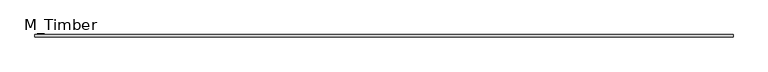
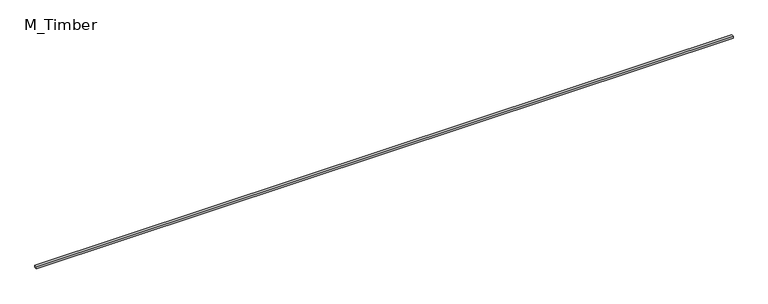
"""IFC4 building model written with IfcOpenShell, lengths in millimetres: beam geometry, M_Timber."""

from ifc_helpers import new_model, si_unit, frame, origin, place, context, project, spatial, polyline, outline, extrude, source, transform, mapped, element, save


def m_timber_55c9b71b(model_context):
    return source(origin(), model_context, "Body", "SweptSolid", [
        extrude(outline(polyline([(5921.8794842, 20.0), (5921.8794842, -20.0), (-5921.8794842, -20.0), (-5921.8794842, 20.0), (5921.8794842, 20.0)])), frame((0.0, 0.0, -20.0), z_axis=(0.0, 0.0, 1.0), x_axis=(1.0, 0.0, 0.0)), (0.0, 0.0, 1.0), 40.0),
    ])


if __name__ == "__main__":
    model = new_model("IFC4")
    model_context = context("Model", 3, world=origin())
    ifc_project = project(units=[si_unit("LENGTHUNIT", "METRE", prefix="MILLI")], contexts=[model_context])
    site = spatial("IfcSite", under=ifc_project)
    building = spatial("IfcBuilding", under=site)
    placement = place(None, origin())
    m_timber_shape = m_timber_55c9b71b(model_context)
    element("IfcBeam", 1, ObjectType="M_Timber", at=placement, inside=building, context=model_context, shape_type="MappedRepresentation", body=[
        mapped(m_timber_shape, transform((0.0, 0.0, 0.0), x_axis=(1.0, 0.0, 0.0), y_axis=(0.0, 1.0, 0.0), z_axis=(0.0, 0.0, 1.0))),
    ])
    save(model, "model.ifc")
